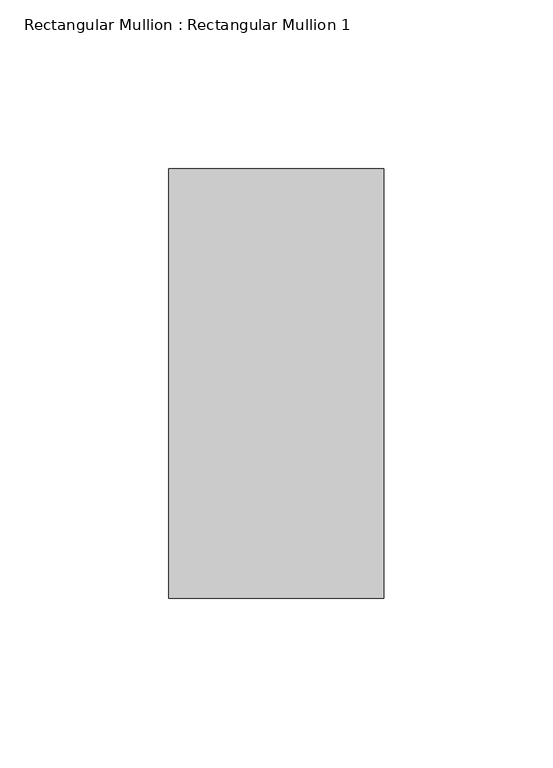
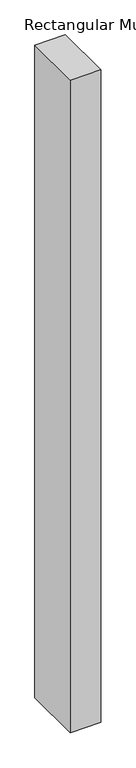
"""IFC4 building model written with IfcOpenShell, lengths in millimetres: member geometry, Rectangular Mullion : Rectangular Mullion 1."""

from ifc_helpers import new_model, si_unit, frame, origin, place, context, project, spatial, polyline, outline, extrude, source, transform, mapped, element, save


def rectangular_mullion_rectangular_mullion_1_2e36edf5(model_context):
    return source(origin(), model_context, "Body", "SweptSolid", [
        extrude(outline(polyline([(31.75, 63.5), (31.75, -63.5), (-31.75, -63.5), (-31.75, 63.5), (31.75, 63.5)])), frame((0.0, 0.0, -1436.5), z_axis=(0.0, 0.0, 1.0), x_axis=(1.0, 0.0, 0.0)), (0.0, 0.0, 1.0), 1436.5),
    ])


if __name__ == "__main__":
    model = new_model("IFC4")
    model_context = context("Model", 3, world=origin())
    ifc_project = project(units=[si_unit("LENGTHUNIT", "METRE", prefix="MILLI")], contexts=[model_context])
    site = spatial("IfcSite", under=ifc_project)
    building = spatial("IfcBuilding", under=site)
    placement = place(None, origin())
    rectangular_mullion_rectangular_mullion_1_shape = rectangular_mullion_rectangular_mullion_1_2e36edf5(model_context)
    element("IfcMember", 1, ObjectType="Rectangular Mullion : Rectangular Mullion 1", at=placement, inside=building, context=model_context, shape_type="MappedRepresentation", body=[
        mapped(rectangular_mullion_rectangular_mullion_1_shape, transform((0.0, 0.0, 0.0), x_axis=(1.0, 0.0, 0.0), y_axis=(0.0, 1.0, 0.0), z_axis=(0.0, 0.0, 1.0))),
    ])
    save(model, "model.ifc")
